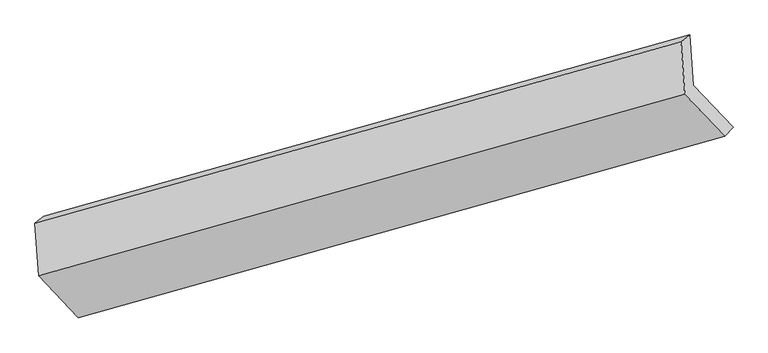
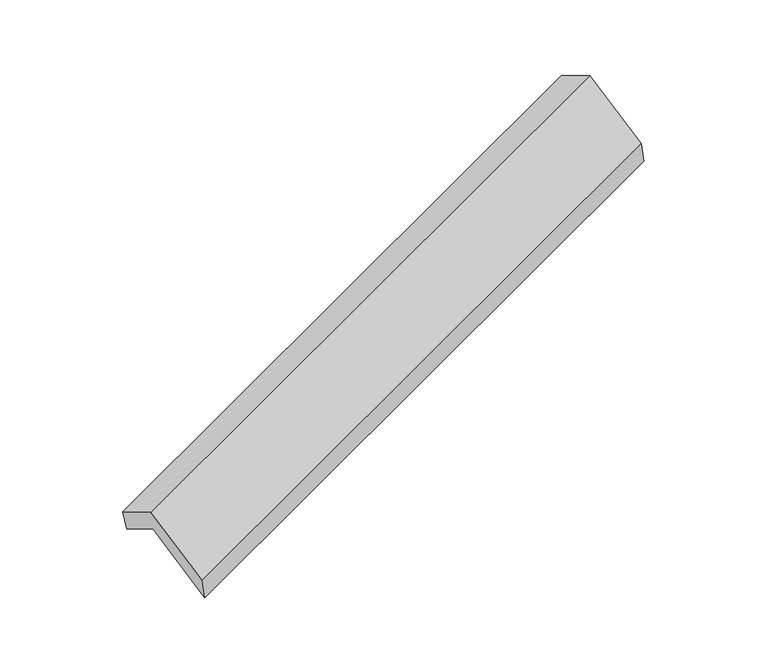
"""IFC4 building model written with IfcOpenShell, lengths in millimetres: proxy geometry."""

from ifc_helpers import new_model, si_unit, origin, place, context, project, spatial, faceted_brep, source, transform, mapped, element, save


def generic_models_07705a14(model_context):
    return source(origin(), model_context, "Body", "Brep", [
        faceted_brep([(-5097.4435781, -2108.0588441, 1273.7838659), (-5121.8465282, -1769.0165087, 1078.3840839), (-753.5468481, -543.3739068, 2659.4776139), (-729.1438981, -882.4162422, 2854.8773959), (-5180.671236, -1815.4767887, 1277.9608938), (-812.3715559, -589.8341868, 2859.0544238), (-5155.0234896, -2171.8136978, 1483.3280326), (-786.7238096, -946.1710959, 3064.4215626), (-4886.8048504, -2455.3192127, 957.9144581), (-518.5051704, -1229.6766107, 2539.0079882), (-4829.2249389, -2391.5643589, 748.3702914), (-460.9252589, -1165.921757, 2329.4638215)], [[[0, 1, 2, 3]], [[1, 4, 5, 2]], [[4, 6, 7, 5]], [[6, 8, 9, 7]], [[8, 10, 11, 9]], [[10, 0, 3, 11]], [[9, 11, 3, 2, 5, 7]], [[0, 10, 8, 6, 4, 1]]]),
    ])


if __name__ == "__main__":
    model = new_model("IFC4")
    model_context = context("Model", 3, world=origin())
    ifc_project = project(units=[si_unit("LENGTHUNIT", "METRE", prefix="MILLI")], contexts=[model_context])
    site = spatial("IfcSite", under=ifc_project)
    building = spatial("IfcBuilding", under=site)
    placement = place(None, origin())
    generic_models_shape = generic_models_07705a14(model_context)
    element("IfcBuildingElementProxy", 1, Name="Generic Models", at=placement, inside=building, context=model_context, shape_type="MappedRepresentation", body=[
        mapped(generic_models_shape, transform((0.0, 0.0, 0.0), x_axis=(1.0, 0.0, 0.0), y_axis=(0.0, 1.0, 0.0), z_axis=(0.0, 0.0, 1.0))),
    ])
    save(model, "model.ifc")
